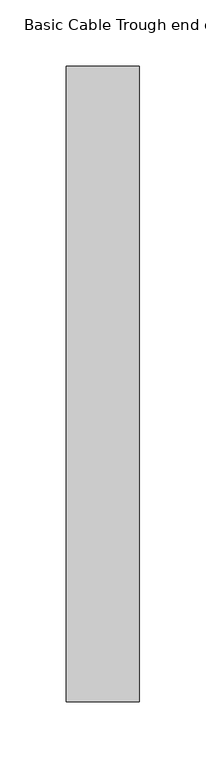
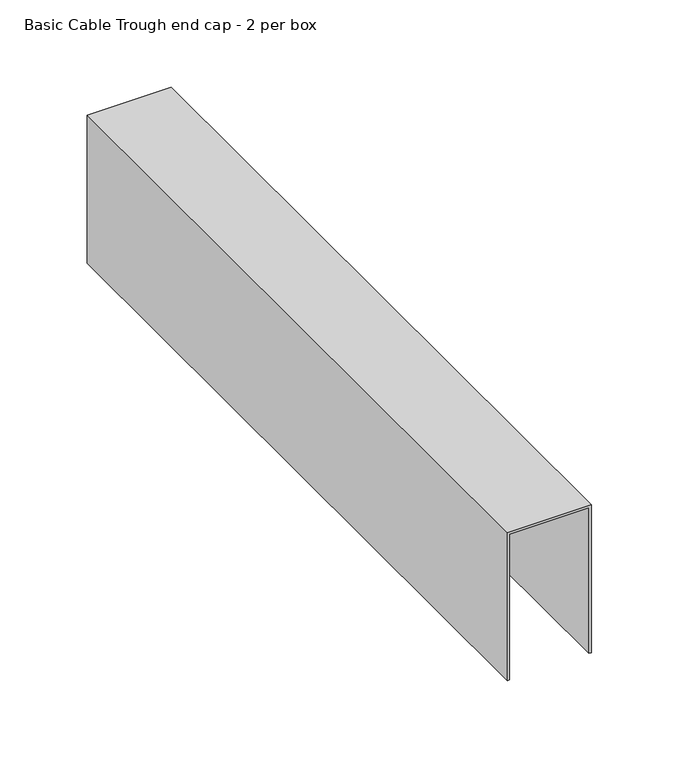
"""IFC4 building model written with IfcOpenShell, lengths in millimetres: furniture geometry, Basic Cable Trough end cap - 2 per box."""

from ifc_helpers import new_model, si_unit, origin, place, context, project, spatial, faceted_brep, source, transform, mapped, element, save


def basic_cable_trough_end_cap_2_per_box_407dba57(model_context):
    return source(origin(), model_context, "Body", "Brep", [
        faceted_brep([(-27.686, -480.1616, 469.0872105), (-26.162, -480.1616, 469.0872105), (-26.162, -480.1616, 570.6872105), (26.162, -480.1616, 570.6872105), (26.162, -480.1616, 469.0872105), (27.686, -480.1616, 469.0872105), (27.686, -480.1616, 572.2112105), (-27.686, -480.1616, 572.2112105), (-27.686, 0.0, 469.0872105), (-27.686, 0.0, 572.2112105), (27.686, 0.0, 572.2112105), (27.686, 0.0, 469.0872105), (26.162, 0.0, 469.0872105), (26.162, 0.0, 570.6872105), (-26.162, 0.0, 570.6872105), (-26.162, 0.0, 469.0872105), (26.162, -102.616, 469.0872105), (26.162, -102.616, 474.1672105), (26.162, -214.2998, 474.1672105), (26.162, -214.2998, 568.4980417), (26.162, -265.8618, 568.4980417), (26.162, -265.8618, 474.1672105), (26.162, -377.5456, 474.1672105), (26.162, -377.5456, 469.0872105), (27.686, -377.5456, 469.0872105), (27.686, -102.616, 469.0872105), (27.686, -377.5456, 474.1672105), (27.686, -265.8618, 474.1672105), (27.686, -265.8618, 568.4980417), (27.686, -214.2998, 568.4980417), (27.686, -214.2998, 474.1672105), (27.686, -102.616, 474.1672105)], [[[0, 1, 2, 3, 4, 5, 6, 7]], [[8, 9, 10, 11, 12, 13, 14, 15]], [[1, 0, 8, 15]], [[2, 1, 15, 14]], [[3, 2, 14, 13]], [[4, 3, 13, 12, 16, 17, 18, 19, 20, 21, 22, 23]], [[5, 4, 23, 24]], [[12, 11, 25, 16]], [[6, 5, 24, 26, 27, 28, 29, 30, 31, 25, 11, 10]], [[7, 6, 10, 9]], [[0, 7, 9, 8]], [[18, 30, 29, 19]], [[19, 29, 28, 20]], [[20, 28, 27, 21]], [[21, 27, 26, 22]], [[22, 26, 24, 23]], [[31, 17, 16, 25]], [[30, 18, 17, 31]]]),
    ])


if __name__ == "__main__":
    model = new_model("IFC4")
    model_context = context("Model", 3, world=origin())
    ifc_project = project(units=[si_unit("LENGTHUNIT", "METRE", prefix="MILLI")], contexts=[model_context])
    site = spatial("IfcSite", under=ifc_project)
    building = spatial("IfcBuilding", under=site)
    placement = place(None, origin())
    basic_cable_trough_end_cap_2_per_box_shape = basic_cable_trough_end_cap_2_per_box_407dba57(model_context)
    element("IfcFurniture", 1, ObjectType="Basic Cable Trough end cap - 2 per box", at=placement, inside=building, context=model_context, shape_type="MappedRepresentation", body=[
        mapped(basic_cable_trough_end_cap_2_per_box_shape, transform((0.0, 0.0, 0.0), x_axis=(1.0, 0.0, 0.0), y_axis=(0.0, 1.0, 0.0), z_axis=(0.0, 0.0, 1.0))),
    ])
    save(model, "model.ifc")
